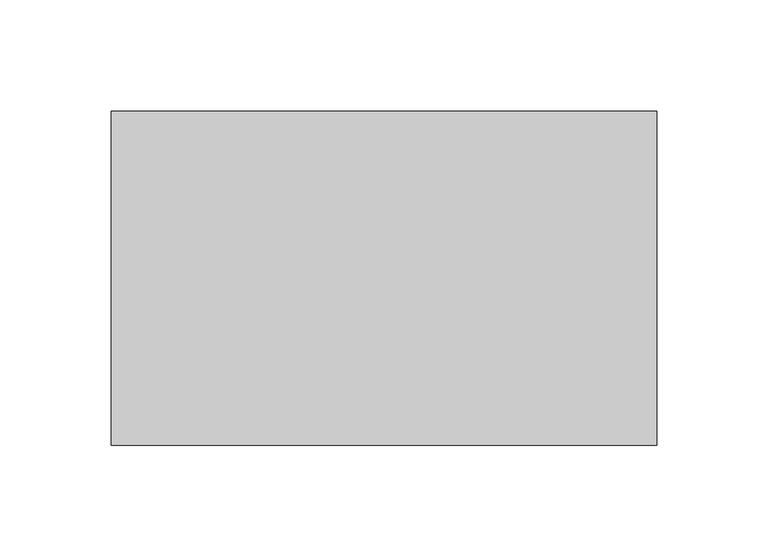
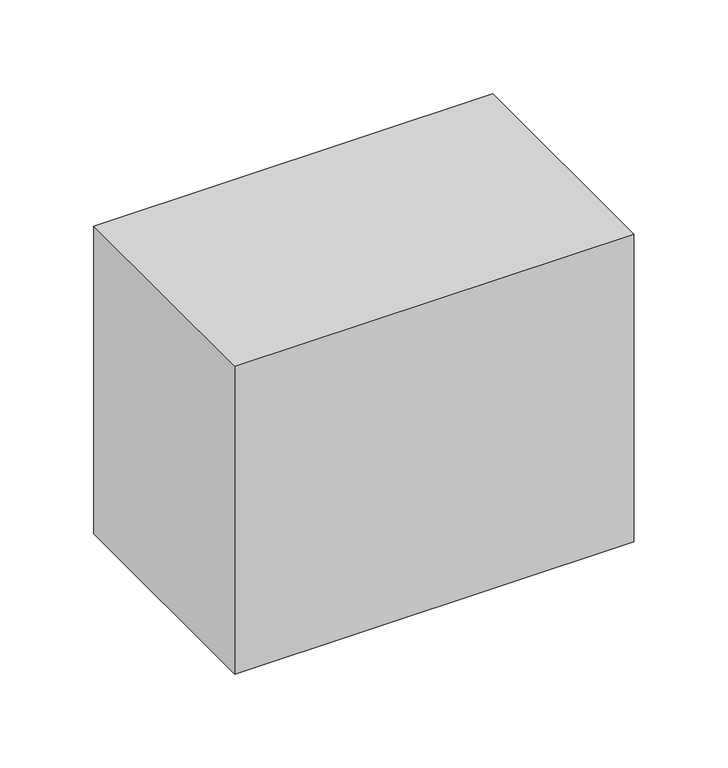
"""IFC4 building model written with IfcOpenShell, lengths in millimetres: proxy geometry."""

from ifc_helpers import new_model, si_unit, frame, origin, place, context, project, spatial, polyline, outline, extrude, source, transform, mapped, element, save


def generic_models_42f9d226(model_context):
    return source(origin(), model_context, "Body", "SweptSolid", [
        extrude(outline(polyline([(122.5, 75.0), (122.5, -75.0), (-122.5, -75.0), (-122.5, 75.0), (122.5, 75.0)])), frame((0.0, 0.0, -200.0), z_axis=(0.0, 0.0, 1.0), x_axis=(1.0, 0.0, 0.0)), (0.0, 0.0, 1.0), 200.0),
    ])


if __name__ == "__main__":
    model = new_model("IFC4")
    model_context = context("Model", 3, world=origin())
    ifc_project = project(units=[si_unit("LENGTHUNIT", "METRE", prefix="MILLI")], contexts=[model_context])
    site = spatial("IfcSite", under=ifc_project)
    building = spatial("IfcBuilding", under=site)
    placement = place(None, origin())
    generic_models_shape = generic_models_42f9d226(model_context)
    element("IfcBuildingElementProxy", 1, Name="Generic Models", at=placement, inside=building, context=model_context, shape_type="MappedRepresentation", body=[
        mapped(generic_models_shape, transform((0.0, 0.0, 0.0), x_axis=(1.0, 0.0, 0.0), y_axis=(0.0, 1.0, 0.0), z_axis=(0.0, 0.0, 1.0))),
    ])
    save(model, "model.ifc")
